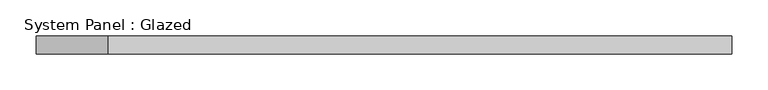
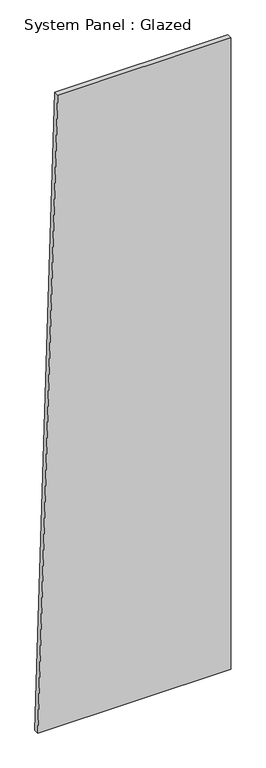
"""IFC4 building model written with IfcOpenShell, lengths in millimetres: plate geometry, System Panel : Glazed."""

from ifc_helpers import new_model, si_unit, frame, origin, place, context, project, spatial, polyline, outline, extrude, source, transform, mapped, element, save


def system_panel_glazed_be025627(model_context):
    return source(origin(), model_context, "Body", "SweptSolid", [
        extrude(outline(polyline([(0.0, -482.8870079), (0.0, 482.8870079), (3338.8114299, 482.8870079), (3338.8114299, -383.4236476), (0.0, -482.8870079)])), frame((0.0, -49.5, 0.0), z_axis=(0.0, 1.0, 0.0), x_axis=(0.0, 0.0, 1.0)), (0.0, 0.0, 1.0), 25.0),
    ])


if __name__ == "__main__":
    model = new_model("IFC4")
    model_context = context("Model", 3, world=origin())
    ifc_project = project(units=[si_unit("LENGTHUNIT", "METRE", prefix="MILLI")], contexts=[model_context])
    site = spatial("IfcSite", under=ifc_project)
    building = spatial("IfcBuilding", under=site)
    placement = place(None, origin())
    system_panel_glazed_shape = system_panel_glazed_be025627(model_context)
    element("IfcPlate", 1, ObjectType="System Panel : Glazed", at=placement, inside=building, context=model_context, shape_type="MappedRepresentation", body=[
        mapped(system_panel_glazed_shape, transform((0.0, 0.0, 0.0), x_axis=(1.0, 0.0, 0.0), y_axis=(0.0, 1.0, 0.0), z_axis=(0.0, 0.0, 1.0))),
    ])
    save(model, "model.ifc")
